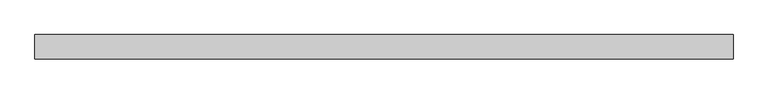
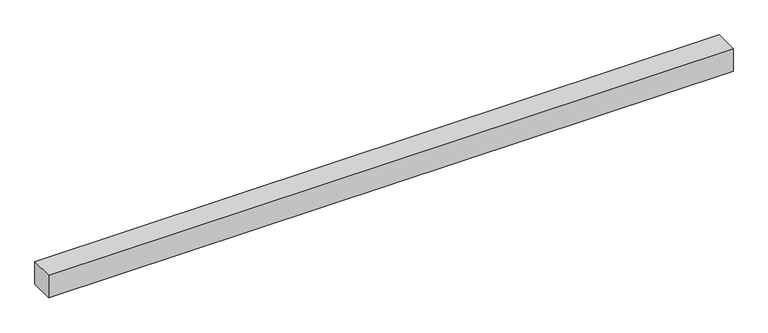
"""IFC4 building model written with IfcOpenShell, lengths in millimetres: beam geometry."""

from ifc_helpers import new_model, si_unit, frame, origin, place, context, project, spatial, polyline, outline, extrude, source, transform, mapped, element, save


def beam_3a2eb721(model_context):
    return source(origin(), model_context, "Body", "SweptSolid", [
        extrude(outline(polyline([(6050.0, 75.0), (6050.0, -75.0), (1750.0, -75.0), (1750.0, 75.0), (6050.0, 75.0)])), frame((0.0, 0.0, -75.0), z_axis=(0.0, 0.0, 1.0), x_axis=(1.0, 0.0, 0.0)), (0.0, 0.0, 1.0), 150.0),
    ])


if __name__ == "__main__":
    model = new_model("IFC4")
    model_context = context("Model", 3, world=origin())
    ifc_project = project(units=[si_unit("LENGTHUNIT", "METRE", prefix="MILLI")], contexts=[model_context])
    site = spatial("IfcSite", under=ifc_project)
    building = spatial("IfcBuilding", under=site)
    placement = place(None, origin())
    beam_shape = beam_3a2eb721(model_context)
    element("IfcBeam", 1, at=placement, inside=building, context=model_context, shape_type="MappedRepresentation", body=[
        mapped(beam_shape, transform((0.0, 0.0, 0.0), x_axis=(1.0, 0.0, 0.0), y_axis=(0.0, 1.0, 0.0), z_axis=(0.0, 0.0, 1.0))),
    ])
    save(model, "model.ifc")
